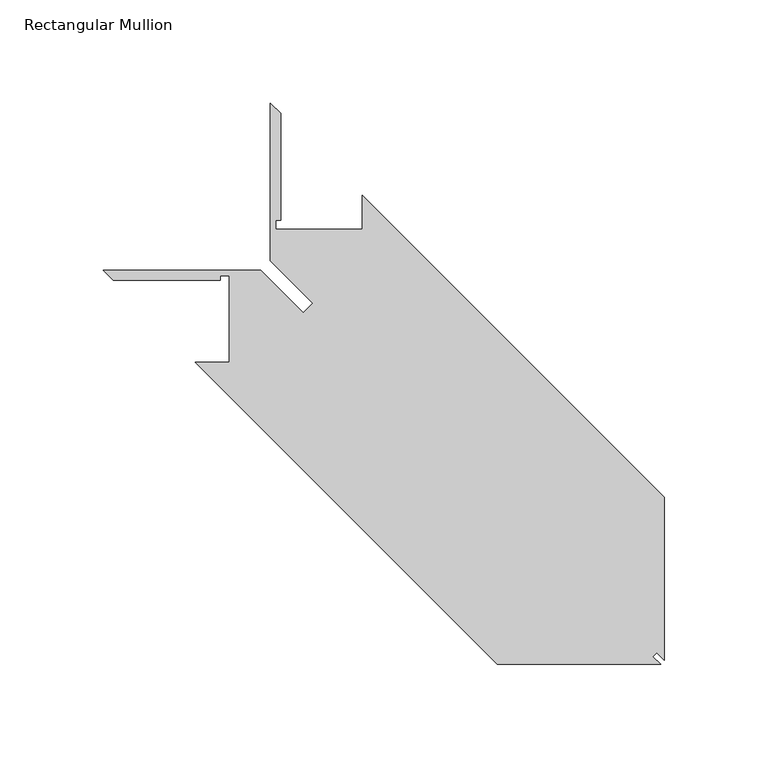
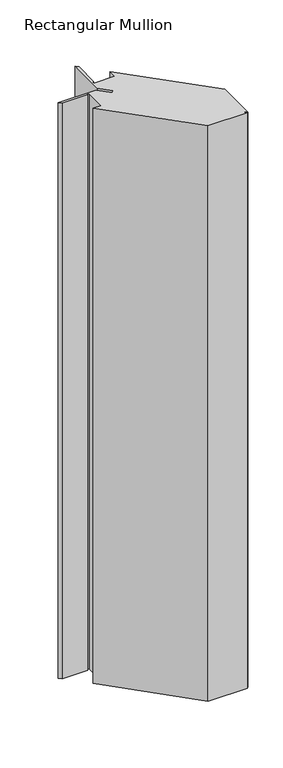
"""IFC4 building model written with IfcOpenShell, lengths in millimetres: member geometry, Rectangular Mullion."""

from ifc_helpers import new_model, si_unit, frame, origin, place, context, project, spatial, polyline, outline, extrude, source, transform, mapped, element, save


def rectangular_mullion_7b8fc6ba(model_context):
    return source(origin(), model_context, "Body", "SweptSolid", [
        extrude(outline(polyline([(28.8784243, -163.5355344), (-117.1715757, -17.4855344), (-100.6869757, -17.4855344), (-100.6869757, 24.4244275), (-105.0824021, 24.4244275), (-105.0824021, 22.0876275), (-156.7447376, 22.0876275), (-161.6215376, 26.9644275), (-85.4228021, 26.9644275), (-64.9753453, 6.5169706), (-60.3517757, 11.1405402), (-80.7992325, 31.587997), (-80.7992325, 107.7623415), (-75.9224325, 102.8855415), (-75.9224325, 51.247597), (-78.2592325, 51.247597), (-78.2592325, 46.8521706), (-36.3492706, 46.8521706), (-36.3492706, 63.3367706), (109.7007294, -82.7132294), (109.7007294, -161.7326294), (105.9923294, -158.0242294), (104.1894243, -159.8271344), (107.8978243, -163.5355344), (28.8784243, -163.5355344)])), frame((0.0, 0.0, -1219.2), z_axis=(0.0, 0.0, 1.0), x_axis=(1.0, 0.0, 0.0)), (0.0, 0.0, 1.0), 1219.2),
    ])


if __name__ == "__main__":
    model = new_model("IFC4")
    model_context = context("Model", 3, world=origin())
    ifc_project = project(units=[si_unit("LENGTHUNIT", "METRE", prefix="MILLI")], contexts=[model_context])
    site = spatial("IfcSite", under=ifc_project)
    building = spatial("IfcBuilding", under=site)
    placement = place(None, origin())
    rectangular_mullion_shape = rectangular_mullion_7b8fc6ba(model_context)
    element("IfcMember", 1, ObjectType="Rectangular Mullion", at=placement, inside=building, context=model_context, shape_type="MappedRepresentation", body=[
        mapped(rectangular_mullion_shape, transform((0.0, 0.0, 0.0), x_axis=(1.0, 0.0, 0.0), y_axis=(0.0, 1.0, 0.0), z_axis=(0.0, 0.0, 1.0))),
    ])
    save(model, "model.ifc")
